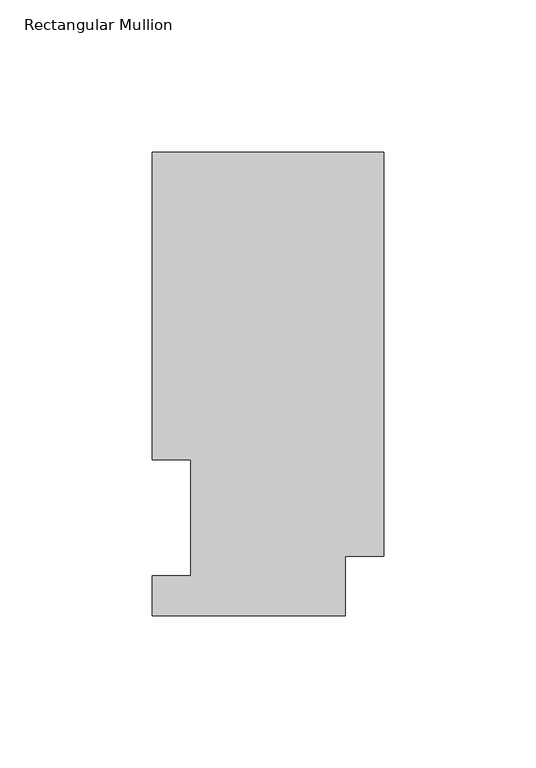
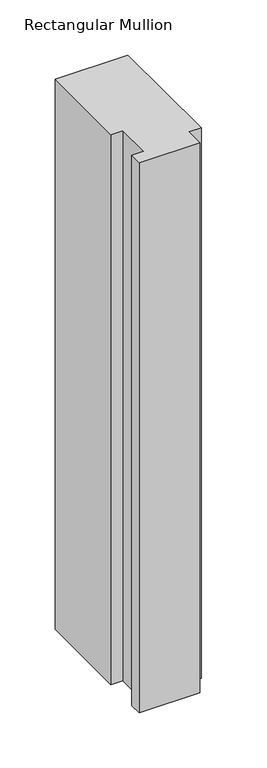
"""IFC4 building model written with IfcOpenShell, lengths in millimetres: member geometry, Rectangular Mullion."""

from ifc_helpers import new_model, si_unit, frame, origin, place, context, project, spatial, polyline, outline, extrude, source, transform, mapped, element, save


def rectangular_mullion_5e5106fa(model_context):
    return source(origin(), model_context, "Body", "SweptSolid", [
        extrude(outline(polyline([(-76.2, 152.4896938), (0.0, 152.4896938), (0.0, 19.5460937), (-12.7, 19.5460937), (-12.7, 0.0134938), (-76.2, 0.0134938), (-76.2, 13.1960938), (-63.5127, 13.1960938), (-63.5127, 51.2960938), (-76.2, 51.2960938), (-76.2, 152.4896938)])), frame((0.0, 0.0, -609.6), z_axis=(0.0, 0.0, 1.0), x_axis=(1.0, 0.0, 0.0)), (0.0, 0.0, 1.0), 609.6),
    ])


if __name__ == "__main__":
    model = new_model("IFC4")
    model_context = context("Model", 3, world=origin())
    ifc_project = project(units=[si_unit("LENGTHUNIT", "METRE", prefix="MILLI")], contexts=[model_context])
    site = spatial("IfcSite", under=ifc_project)
    building = spatial("IfcBuilding", under=site)
    placement = place(None, origin())
    rectangular_mullion_shape = rectangular_mullion_5e5106fa(model_context)
    element("IfcMember", 1, ObjectType="Rectangular Mullion", at=placement, inside=building, context=model_context, shape_type="MappedRepresentation", body=[
        mapped(rectangular_mullion_shape, transform((0.0, 0.0, 0.0), x_axis=(1.0, 0.0, 0.0), y_axis=(0.0, 1.0, 0.0), z_axis=(0.0, 0.0, 1.0))),
    ])
    save(model, "model.ifc")
